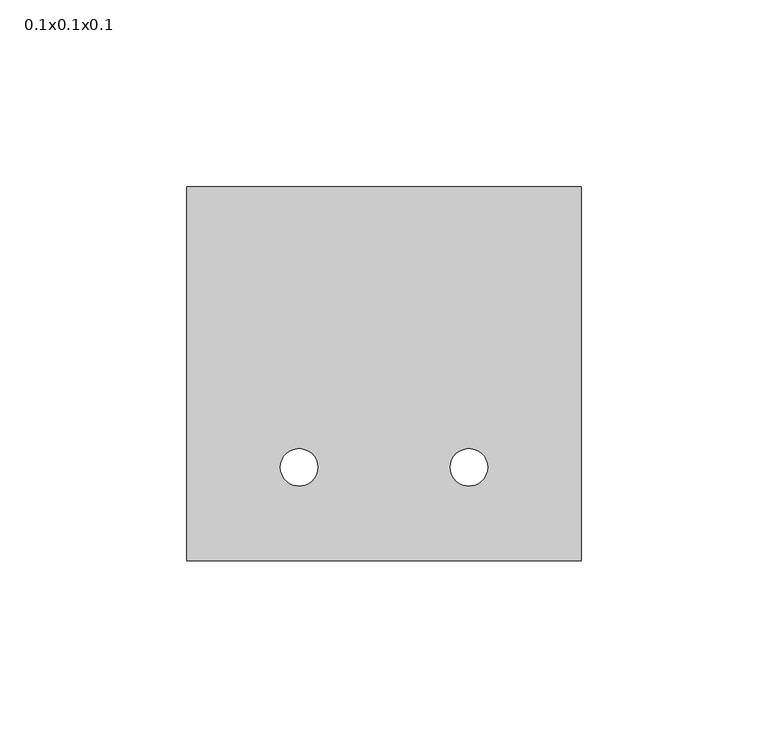
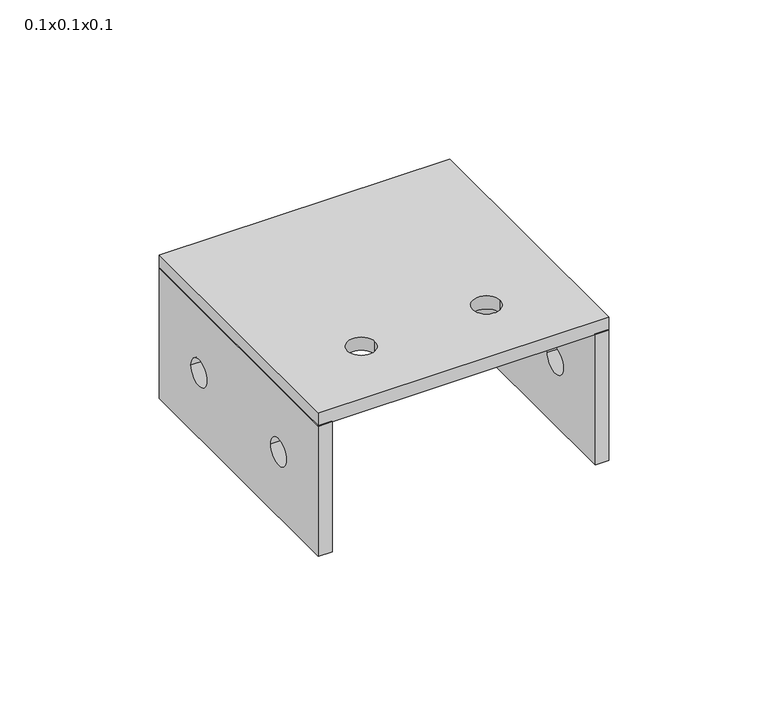
"""IFC4 building model written with IfcOpenShell, lengths in millimetres: proxy geometry, 0.1x0.1x0.1."""

from ifc_helpers import new_model, si_unit, point, frame, frame_2d, origin, origin_with_axes, place, context, project, spatial, polyline, circle_curve, trimmed, segment, composite_curve, outline, extrude, source, transform, mapped, element, save


def proxy_0_1x0_1x0_1_e4d65276(model_context):
    return source(origin(), model_context, "Body", "SweptSolid", [
        extrude(outline(polyline([(100.0, -50.0), (0.0, -50.0), (0.0, 0.0), (100.0, 0.0), (100.0, -50.0)]), holes=[composite_curve([segment(trimmed(circle_curve(frame_2d((25.0, -25.0)), 5.0), [point((20.0, -25.0))], [point((30.0, -25.0))], True, "CARTESIAN"), True, "CONTINUOUS"), segment(trimmed(circle_curve(frame_2d((25.0, -25.0)), 5.0), [point((30.0, -25.0))], [point((20.0, -25.0))], True, "CARTESIAN"), True, "CONTINUOUS")], self_intersect=False), composite_curve([segment(trimmed(circle_curve(frame_2d((75.0, -25.0)), 5.0), [point((70.0, -25.0))], [point((80.0, -25.0))], True, "CARTESIAN"), True, "CONTINUOUS"), segment(trimmed(circle_curve(frame_2d((75.0, -25.0)), 5.0), [point((80.0, -25.0))], [point((70.0, -25.0))], True, "CARTESIAN"), True, "CONTINUOUS")], self_intersect=False)]), frame((0.0, 0.0, 0.0), z_axis=(1.0, 0.0, 0.0), x_axis=(0.0, 1.0, 0.0)), (0.0, 0.0, 1.0), 5.0),
        extrude(outline(polyline([(100.0, -50.0), (0.0, -50.0), (0.0, 0.0), (100.0, 0.0), (100.0, -50.0)]), holes=[composite_curve([segment(trimmed(circle_curve(frame_2d((25.0, -25.0)), 5.0), [point((20.0, -25.0))], [point((30.0, -25.0))], True, "CARTESIAN"), True, "CONTINUOUS"), segment(trimmed(circle_curve(frame_2d((25.0, -25.0)), 5.0), [point((30.0, -25.0))], [point((20.0, -25.0))], True, "CARTESIAN"), True, "CONTINUOUS")], self_intersect=False), composite_curve([segment(trimmed(circle_curve(frame_2d((75.0, -25.0)), 5.0), [point((70.0, -25.0))], [point((80.0, -25.0))], True, "CARTESIAN"), True, "CONTINUOUS"), segment(trimmed(circle_curve(frame_2d((75.0, -25.0)), 5.0), [point((80.0, -25.0))], [point((70.0, -25.0))], True, "CARTESIAN"), True, "CONTINUOUS")], self_intersect=False)]), frame((100.4, 0.0, 0.0), z_axis=(1.0, 0.0, 0.0), x_axis=(0.0, 1.0, 0.0)), (0.0, 0.0, 1.0), 5.0),
        extrude(outline(polyline([(105.4, 100.0), (105.4, 0.0), (0.0, 0.0), (0.0, 100.0), (105.4, 100.0)]), holes=[composite_curve([segment(trimmed(circle_curve(frame_2d((30.0, 25.0)), 5.0), [point((25.0, 25.0))], [point((35.0, 25.0))], True, "CARTESIAN"), True, "CONTINUOUS"), segment(trimmed(circle_curve(frame_2d((30.0, 25.0)), 5.0), [point((35.0, 25.0))], [point((25.0, 25.0))], True, "CARTESIAN"), True, "CONTINUOUS")], self_intersect=False), composite_curve([segment(trimmed(circle_curve(frame_2d((75.4, 25.0)), 5.0), [point((70.4, 25.0))], [point((80.4, 25.0))], True, "CARTESIAN"), True, "CONTINUOUS"), segment(trimmed(circle_curve(frame_2d((75.4, 25.0)), 5.0), [point((80.4, 25.0))], [point((70.4, 25.0))], True, "CARTESIAN"), True, "CONTINUOUS")], self_intersect=False)]), origin_with_axes(), (0.0, 0.0, 1.0), 5.0),
    ])


if __name__ == "__main__":
    model = new_model("IFC4")
    model_context = context("Model", 3, world=origin())
    ifc_project = project(units=[si_unit("LENGTHUNIT", "METRE", prefix="MILLI")], contexts=[model_context])
    site = spatial("IfcSite", under=ifc_project)
    building = spatial("IfcBuilding", under=site)
    placement = place(None, origin())
    proxy_0_1x0_1x0_1_shape = proxy_0_1x0_1x0_1_e4d65276(model_context)
    element("IfcBuildingElementProxy", 1, Name="0.1x0.1x0.1", ObjectType="0.1x0.1x0.1", at=placement, inside=building, context=model_context, shape_type="MappedRepresentation", body=[
        mapped(proxy_0_1x0_1x0_1_shape, transform((0.0, 0.0, 0.0), x_axis=(1.0, 0.0, 0.0), y_axis=(0.0, 1.0, 0.0), z_axis=(0.0, 0.0, 1.0))),
    ])
    save(model, "model.ifc")
